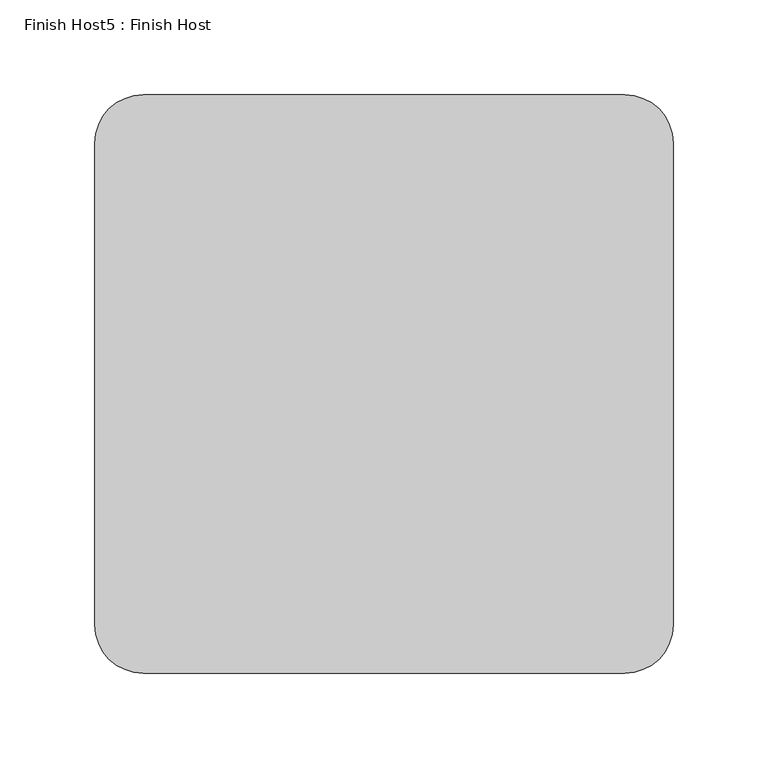
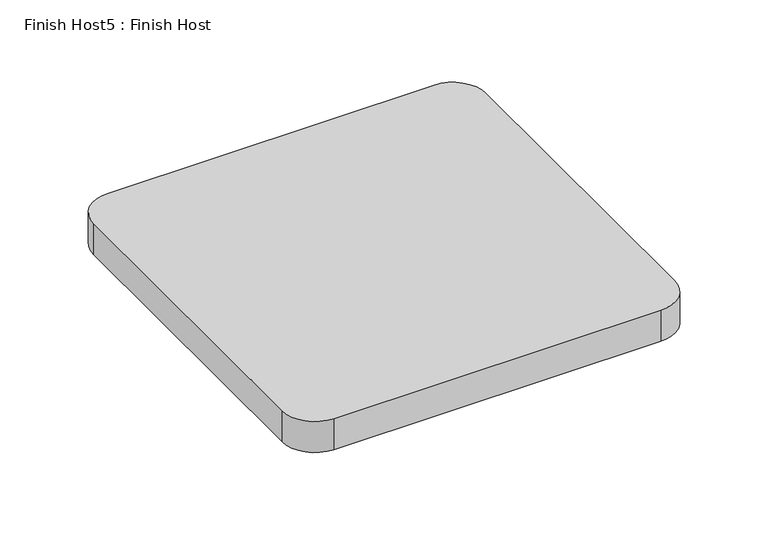
"""IFC4 building model written with IfcOpenShell, lengths in millimetres: proxy geometry, Finish Host5 : Finish Host."""

from ifc_helpers import new_model, si_unit, point, frame_2d, origin, origin_with_axes, place, context, project, spatial, polyline, circle_curve, trimmed, segment, composite_curve, outline, extrude, source, transform, mapped, element, save


def finish_host5_finish_host_da0f1f4f(model_context):
    return source(origin(), model_context, "Body", "SweptSolid", [
        extrude(outline(composite_curve([segment(polyline([(2715.0934426, 1206.8122951), (2715.0934426, 1460.8122951)]), True, "CONTINUOUS"), segment(trimmed(circle_curve(frame_2d((2740.4934426, 1460.8122951)), 25.4), [point((2715.0934426, 1460.8122951))], [point((2740.4934426, 1486.2122951))], False, "CARTESIAN"), True, "CONTINUOUS"), segment(polyline([(2740.4934426, 1486.2122951), (2994.4934426, 1486.2122951)]), True, "CONTINUOUS"), segment(trimmed(circle_curve(frame_2d((2994.4934426, 1460.8122951)), 25.4), [point((2994.4934426, 1486.2122951))], [point((3019.8934426, 1460.8122951))], False, "CARTESIAN"), True, "CONTINUOUS"), segment(polyline([(3019.8934426, 1460.8122951), (3019.8934426, 1206.8122951)]), True, "CONTINUOUS"), segment(trimmed(circle_curve(frame_2d((2994.4934426, 1206.8122951)), 25.4), [point((3019.8934426, 1206.8122951))], [point((2994.4934426, 1181.4122951))], False, "CARTESIAN"), True, "CONTINUOUS"), segment(polyline([(2994.4934426, 1181.4122951), (2740.4934426, 1181.4122951)]), True, "CONTINUOUS"), segment(trimmed(circle_curve(frame_2d((2740.4934426, 1206.8122951)), 25.4), [point((2740.4934426, 1181.4122951))], [point((2715.0934426, 1206.8122951))], False, "CARTESIAN"), True, "CONTINUOUS")], self_intersect=False)), origin_with_axes(), (0.0, 0.0, 1.0), 25.4),
    ])


if __name__ == "__main__":
    model = new_model("IFC4")
    model_context = context("Model", 3, world=origin())
    ifc_project = project(units=[si_unit("LENGTHUNIT", "METRE", prefix="MILLI")], contexts=[model_context])
    site = spatial("IfcSite", under=ifc_project)
    building = spatial("IfcBuilding", under=site)
    placement = place(None, origin())
    finish_host5_finish_host_shape = finish_host5_finish_host_da0f1f4f(model_context)
    element("IfcBuildingElementProxy", 1, Name="Finish Host5 : Finish Host", ObjectType="Finish Host5 : Finish Host", at=placement, inside=building, context=model_context, shape_type="MappedRepresentation", body=[
        mapped(finish_host5_finish_host_shape, transform((0.0, 0.0, 0.0), x_axis=(1.0, 0.0, 0.0), y_axis=(0.0, 1.0, 0.0), z_axis=(0.0, 0.0, 1.0))),
    ])
    save(model, "model.ifc")
